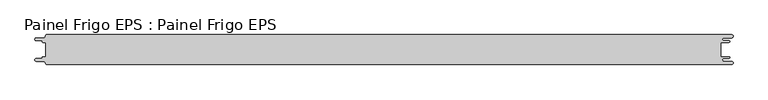
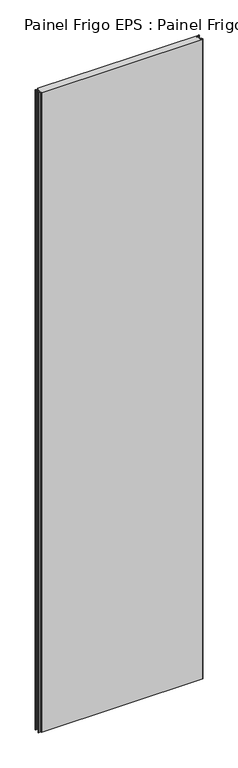
"""IFC4 building model written with IfcOpenShell, lengths in millimetres: proxy geometry, Painel Frigo EPS : Painel Frigo EPS."""

import ifcopenshell
import ifcopenshell.guid

model = None  # the IFC model being written
_history = None  # IfcOwnerHistory: only IFC2X3 demands one
_inside = {}  # id of a spatial element -> (the spatial element, [elements in it])
_under = {}  # id of a project, library or spatial element -> (it, [spatial elements below it])
_declared = {}  # id of a project -> (the project, [libraries it declares])
_typed = {}  # id of a type object -> (the type object, [elements of that type])
_made_of = {}  # id of a material, layer set ... -> (it, [elements and type objects made of it])


def new_model(schema):
    """Start an empty IFC model of exactly this schema.

    Asked for "IFC4X3", IfcOpenShell would pick the latest addendum, in which some entities
    have other attributes; the version numbers below select the first issue.
    IFC2X3 requires an IfcOwnerHistory on every rooted entity: one is made here for all.
    """
    global model, _history
    if schema == "IFC4X3":
        model = ifcopenshell.file(schema_version=(4, 3, 0, 0))
    else:
        model = ifcopenshell.file(schema=schema)
    _inside.clear()
    _under.clear()
    _declared.clear()
    _typed.clear()
    _made_of.clear()
    _history = None
    if model.schema == "IFC2X3":
        org = make("IfcOrganization", Name="unknown")
        user = make(
            "IfcPersonAndOrganization",
            ThePerson=make("IfcPerson", FamilyName="unknown"),
            TheOrganization=org,
        )
        app = make(
            "IfcApplication",
            ApplicationDeveloper=org,
            Version="unknown",
            ApplicationFullName="unknown",
            ApplicationIdentifier="unknown",
        )
        _history = make(
            "IfcOwnerHistory",
            OwningUser=user,
            OwningApplication=app,
            ChangeAction="ADDED",
            CreationDate=0,
        )
    return model


def make(cls, **values):
    """One entity of the class cls with the attributes given. An attribute that is None is left unset."""
    return model.create_entity(
        cls, **{name: value for name, value in values.items() if value is not None}
    )


def rooted(cls, **values):
    """An entity with a GlobalId (a new one), such as an element, a storey or a relation."""
    return make(cls, GlobalId=ifcopenshell.guid.new(), OwnerHistory=_history, **values)


def si_unit(unit_type, name, prefix=None):
    """IfcSIUnit, for example si_unit("LENGTHUNIT", "METRE", prefix="MILLI")."""
    return make("IfcSIUnit", UnitType=unit_type, Prefix=prefix, Name=name)


def assignment(units):
    """IfcUnitAssignment: the units of a project."""
    return None if units is None else make("IfcUnitAssignment", Units=units)


def point(xyz):
    """IfcCartesianPoint."""
    return None if xyz is None else make("IfcCartesianPoint", Coordinates=xyz)


def direction(xyz):
    """IfcDirection."""
    return None if xyz is None else make("IfcDirection", DirectionRatios=xyz)


def frame(location, z_axis=None, x_axis=None):
    """IfcAxis2Placement3D, a coordinate frame: its origin and axes. An axis left out is left unset."""
    return make(
        "IfcAxis2Placement3D",
        Location=point(location),
        Axis=direction(z_axis),
        RefDirection=direction(x_axis),
    )


def origin():
    """The frame at (0, 0, 0) with its axes left unset."""
    return frame((0.0, 0.0, 0.0))


def place(relative_to, where):
    """IfcLocalPlacement: puts the frame where relative to a parent placement (None: the world)."""
    return make(
        "IfcLocalPlacement", PlacementRelTo=relative_to, RelativePlacement=where
    )


def context(
    kind, dimensions, precision=None, world=None, true_north=None, identifier=None
):
    """IfcGeometricRepresentationContext, for example the 3D "Model" context."""
    return make(
        "IfcGeometricRepresentationContext",
        ContextIdentifier=identifier,
        ContextType=kind,
        CoordinateSpaceDimension=dimensions,
        Precision=precision,
        WorldCoordinateSystem=world,
        TrueNorth=true_north,
    )


def project(units=None, contexts=None):
    """IfcProject with its units and contexts."""
    return rooted(
        "IfcProject",
        Name="project",
        RepresentationContexts=contexts,
        UnitsInContext=assignment(units),
    )


def spatial(cls, under=None, at=None, **own):
    """A site, building, storey or space (cls), placed at a placement, below another one or the project."""
    s = rooted(cls, ObjectPlacement=at, **own)
    if under is not None:
        _under.setdefault(under.id(), (under, []))[1].append(s)
    return s


def polyline(points):
    """IfcPolyline through the points."""
    return make("IfcPolyline", Points=[point(p) for p in points])


def circle_curve(where, radius):
    """IfcCircle in the frame where."""
    return make("IfcCircle", Position=where, Radius=radius)


def shape(context_of_items, identifier, shape_type, items):
    """IfcShapeRepresentation: the items that make up one representation, for example the "Body"."""
    return make(
        "IfcShapeRepresentation",
        ContextOfItems=context_of_items,
        RepresentationIdentifier=identifier,
        RepresentationType=shape_type,
        Items=items,
    )


def source(mapping_origin, context_of_items, identifier, shape_type, items):
    """IfcRepresentationMap: a shape defined once, which mapped items show again and again."""
    return make(
        "IfcRepresentationMap",
        MappingOrigin=mapping_origin,
        MappedRepresentation=shape(context_of_items, identifier, shape_type, items),
    )


def transform(
    local_origin,
    x_axis=None,
    y_axis=None,
    z_axis=None,
    scale=None,
    scale2=None,
    scale3=None,
    uniform=True,
):
    """IfcCartesianTransformationOperator3D, or its non-uniform kind. x_axis, y_axis, z_axis: its Axis1, 2, 3."""
    if uniform:
        return make(
            "IfcCartesianTransformationOperator3D",
            Axis1=direction(x_axis),
            Axis2=direction(y_axis),
            LocalOrigin=point(local_origin),
            Scale=scale,
            Axis3=direction(z_axis),
        )
    return make(
        "IfcCartesianTransformationOperator3DnonUniform",
        Axis1=direction(x_axis),
        Axis2=direction(y_axis),
        LocalOrigin=point(local_origin),
        Scale=scale,
        Axis3=direction(z_axis),
        Scale2=scale2,
        Scale3=scale3,
    )


def mapped(mapping_source, mapping_target):
    """IfcMappedItem: shows the shape of a source again, moved by a transform."""
    return make(
        "IfcMappedItem", MappingSource=mapping_source, MappingTarget=mapping_target
    )


def made_of(thing, what):
    """Note that an element or type object is made of a material, layer set ...; save() writes the relation."""
    if what is not None:
        _made_of.setdefault(what.id(), (what, []))[1].append(thing)
    return thing


def element(
    cls,
    number,
    at=None,
    inside=None,
    cuts=None,
    type_object=None,
    material=None,
    context=None,
    identifier="Body",
    shape_type=None,
    held_by="IfcProductDefinitionShape",
    body=None,
    shapes=None,
    **own,
):
    """One element of the class cls, such as IfcWall. Its Tag is "e" and its number.

    at: its placement. inside: the storey or other place that contains it. cuts: it is an
    opening in that element (IfcRelVoidsElement). A single representation is given by context,
    identifier, shape_type and body (its items); several are given by shapes. held_by: the class
    of the entity that holds the representations. save() writes the other relations.
    """
    e = rooted(cls, Tag="e%d" % number, ObjectPlacement=at, **own)
    if body is not None:
        shapes = [shape(context, identifier, shape_type, body)]
    if shapes is not None:
        e.Representation = make(held_by, Representations=shapes)
    if inside is not None:
        _inside.setdefault(inside.id(), (inside, []))[1].append(e)
    if cuts is not None:
        rooted(
            "IfcRelVoidsElement", RelatingBuildingElement=cuts, RelatedOpeningElement=e
        )
    if type_object is not None:
        _typed.setdefault(type_object.id(), (type_object, []))[1].append(e)
    return made_of(e, material)


def aggregate(whole, parts):
    """IfcRelAggregates: a whole, such as a stair, and the parts it consists of."""
    return rooted("IfcRelAggregates", RelatingObject=whole, RelatedObjects=parts)


def save(model, path):
    """Write the relations noted so far, then the file.

    IfcRelAggregates (storeys below a building ...), IfcRelContainedInSpatialStructure (elements
    in a storey), IfcRelDefinesByType, IfcRelAssociatesMaterial and IfcRelDeclares: one each for
    every whole, place, type object, material and project.
    """
    for whole, parts in _under.values():
        aggregate(whole, parts)
    for where, things in _inside.values():
        rooted(
            "IfcRelContainedInSpatialStructure",
            RelatedElements=things,
            RelatingStructure=where,
        )
    for kind, things in _typed.values():
        rooted("IfcRelDefinesByType", RelatedObjects=things, RelatingType=kind)
    for what, things in _made_of.values():
        rooted("IfcRelAssociatesMaterial", RelatedObjects=things, RelatingMaterial=what)
    for by, libraries in _declared.values():
        rooted("IfcRelDeclares", RelatingContext=by, RelatedDefinitions=libraries)
    model.write(path)


def plane_surface(at):
    """IfcPlane: the flat surface through the origin of the frame at, square to its z axis."""
    return make("IfcPlane", Position=at)


def cylinder_surface(at, radius):
    """IfcCylindricalSurface: all points at the distance radius from the z axis of the frame at."""
    return make("IfcCylindricalSurface", Position=at, Radius=radius)


def revolved_surface(curve, axis_point, axis_direction):
    """IfcSurfaceOfRevolution: the curve turned about the line through axis_point along axis_direction."""
    return make(
        "IfcSurfaceOfRevolution",
        SweptCurve=make("IfcArbitraryOpenProfileDef", ProfileType="CURVE", Curve=curve),
        AxisPosition=make("IfcAxis1Placement", Location=point(axis_point), Axis=direction(axis_direction)),
    )


def advanced_brep(points, edges, surfaces, faces):
    """IfcAdvancedBrep: a solid bounded by faces that lie on surfaces and meet in shared edges.

    An edge is (start, end): straight between two places in points (the first is 0);
    or (start, end, curve); or (start, end, curve, False) where it runs against its curve.
    A face is (place in surfaces, loops), or (place, loops, False) where it looks against
    its surface's normal. A loop lists edges by number (the first is 1), with a minus sign
    where the edge is run from its end to its start. The first loop is the outer one.
    """
    corners = [point(p) for p in points]
    vertices = [make("IfcVertexPoint", VertexGeometry=c) for c in corners]
    made = []
    for start, end, *more in edges:
        made.append(
            make(
                "IfcEdgeCurve",
                EdgeStart=vertices[start],
                EdgeEnd=vertices[end],
                EdgeGeometry=more[0] if more else make("IfcPolyline", Points=[corners[start], corners[end]]),
                SameSense=more[1] if len(more) > 1 else True,
            )
        )
    hull = []
    for where, loops, *sense in faces:
        bounds = []
        for j, loop in enumerate(loops):
            ring = [make("IfcOrientedEdge", EdgeElement=made[abs(k) - 1], Orientation=k > 0) for k in loop]
            bounds.append(
                make(
                    "IfcFaceOuterBound" if j == 0 else "IfcFaceBound",
                    Bound=make("IfcEdgeLoop", EdgeList=ring),
                    Orientation=True,
                )
            )
        hull.append(make("IfcAdvancedFace", Bounds=bounds, FaceSurface=surfaces[where], SameSense=sense[0] if sense else True))
    return make("IfcAdvancedBrep", Outer=make("IfcClosedShell", CfsFaces=hull))


def painel_frigo_eps_painel_frigo_eps_5ee08f0e(model_context):
    return source(origin(), model_context, "Body", "AdvancedBrep", [
        advanced_brep(
        [(-579.5093748, -12.3, 4800.0), (-580.1093748, -12.9, 4800.0), (-580.1093748, -13.7085184, 4800.0), (-581.5093751, -15.1085187, 4800.0), (-590.4875, -15.1085187, 4800.0), (-590.4875, -19.5085185, 4800.0), (-578.471875, -19.5085185, 4800.0), (-574.921875, -23.0585185, 4800.0), (-572.971875, -25.0, 4800.0), (572.284375, -25.0, 4800.0), (572.284375, -19.725, 4800.0), (559.378125, -19.725, 4800.0), (559.378125, -14.875, 4800.0), (568.0406253, -14.875, 4800.0), (568.0406253, -12.3, 4800.0), (554.1906253, -12.3, 4800.0), (554.1906253, 12.3, 4800.0), (568.0406253, 12.3, 4800.0), (568.0406253, 14.875, 4800.0), (559.378125, 14.875, 4800.0), (559.378125, 19.725, 4800.0), (572.284375, 19.725, 4800.0), (572.284375, 25.0, 4800.0), (-572.971875, 25.0, 4800.0), (-574.921875, 23.05, 4800.0), (-578.471875, 19.5085185, 4800.0), (-590.4875, 19.5085185, 4800.0), (-590.4875, 15.1085185, 4800.0), (-581.5093753, 15.1085185, 4800.0), (-580.1093753, 13.7085185, 4800.0), (-580.1093753, 12.9, 4800.0), (-579.5093748, 12.2999995, 4800.0), (-574.2218362, 12.2999995, 4800.0), (-574.2218362, -12.3, 4800.0), (-579.5093748, -12.3, 0.0), (-574.2218362, -12.3, 0.0), (-574.2218362, 12.2999995, 0.0), (-579.5093748, 12.2999995, 0.0), (-580.1093753, 12.9, 0.0), (-580.1093753, 13.7085185, 0.0), (-581.5093753, 15.1085185, 0.0), (-590.4875, 15.1085185, 0.0), (-590.4875, 19.5085185, 0.0), (-578.471875, 19.5085185, 0.0), (-574.921875, 23.0585185, 0.0), (-572.971875, 25.0, 0.0), (572.284375, 25.0, 0.0), (572.284375, 19.725, 0.0), (559.378125, 19.725, 0.0), (559.378125, 14.875, 0.0), (568.0406253, 14.875, 0.0), (568.0406253, 12.3, 0.0), (554.1906253, 12.3, 0.0), (554.1906253, -12.3, 0.0), (568.0406253, -12.3, 0.0), (568.0406253, -14.875, 0.0), (559.378125, -14.875, 0.0), (559.378125, -19.725, 0.0), (572.284375, -19.725, 0.0), (572.284375, -25.0, 0.0), (-572.971875, -25.0, 0.0), (-574.921875, -23.05, 0.0), (-578.471875, -19.5085185, 0.0), (-590.4875, -19.5085185, 0.0), (-590.4875, -15.1085187, 0.0), (-581.5093751, -15.1085187, 0.0), (-580.1093748, -13.7085184, 0.0), (-580.1093748, -12.9, 0.0)],
        [
            (0, 1, circle_curve(frame((-579.5093748, -12.9, 4800.0), z_axis=(0.0, 0.0, 1.0), x_axis=(1.0, 0.0, 0.0)), 0.6)),
            (1, 2),
            (2, 3, circle_curve(frame((-581.5093751, -13.7085184, 4800.0), z_axis=(0.0, 0.0, -1.0), x_axis=(1.0, 0.0, 0.0)), 1.4000003)),
            (3, 4),
            (4, 5, circle_curve(frame((-590.4875, -17.3085186, 4800.0), z_axis=(0.0, 0.0, 1.0), x_axis=(1.0, 0.0, 0.0)), 2.1999999)),
            (5, 6),
            (6, 7, circle_curve(frame((-578.471875, -23.0585185, 4800.0), z_axis=(0.0, 0.0, -1.0), x_axis=(1.0, 0.0, 0.0)), 3.55)),
            (7, 8, circle_curve(frame((-572.971875, -23.05, 4800.0), z_axis=(0.0, 0.0, 1.0), x_axis=(1.0, 0.0, 0.0)), 1.95)),
            (8, 9),
            (9, 10, circle_curve(frame((572.284375, -22.3625, 4800.0), z_axis=(0.0, 0.0, 1.0), x_axis=(1.0, 0.0, 0.0)), 2.6375)),
            (10, 11),
            (11, 12, circle_curve(frame((559.378125, -17.3, 4800.0), z_axis=(0.0, 0.0, -1.0), x_axis=(1.0, 0.0, 0.0)), 2.425)),
            (12, 13),
            (13, 14, circle_curve(frame((568.0406253, -13.5875, 4800.0), z_axis=(0.0, 0.0, 1.0), x_axis=(1.0, 0.0, 0.0)), 1.2875)),
            (14, 15),
            (15, 16),
            (16, 17),
            (17, 18, circle_curve(frame((568.0406253, 13.5875, 4800.0), z_axis=(0.0, 0.0, 1.0), x_axis=(1.0, 0.0, 0.0)), 1.2875)),
            (18, 19),
            (19, 20, circle_curve(frame((559.378125, 17.3, 4800.0), z_axis=(0.0, 0.0, -1.0), x_axis=(1.0, 0.0, 0.0)), 2.425)),
            (20, 21),
            (21, 22, circle_curve(frame((572.284375, 22.3625, 4800.0), z_axis=(0.0, 0.0, 1.0), x_axis=(1.0, 0.0, 0.0)), 2.6375)),
            (22, 23),
            (23, 24, circle_curve(frame((-572.971875, 23.05, 4800.0), z_axis=(0.0, 0.0, 1.0), x_axis=(1.0, 0.0, 0.0)), 1.95)),
            (24, 25, circle_curve(frame((-578.471875, 23.0585185, 4800.0), z_axis=(0.0, 0.0, -1.0), x_axis=(1.0, 0.0, 0.0)), 3.55)),
            (25, 26),
            (26, 27, circle_curve(frame((-590.4875, 17.3085185, 4800.0), z_axis=(0.0, 0.0, 1.0), x_axis=(1.0, 0.0, 0.0)), 2.2)),
            (27, 28),
            (28, 29, circle_curve(frame((-581.5093753, 13.7085185, 4800.0), z_axis=(0.0, 0.0, -1.0), x_axis=(1.0, 0.0, 0.0)), 1.4)),
            (29, 30),
            (30, 31, circle_curve(frame((-579.5093748, 12.9, 4800.0), z_axis=(0.0, 0.0, 1.0), x_axis=(1.0, 0.0, 0.0)), 0.6000005)),
            (31, 32),
            (32, 33),
            (33, 0),
            (34, 35),
            (35, 36),
            (36, 37),
            (37, 38, circle_curve(frame((-579.5093748, 12.9, 0.0), z_axis=(0.0, 0.0, -1.0), x_axis=(1.0, 0.0, 0.0)), 0.6000005)),
            (38, 39),
            (39, 40, circle_curve(frame((-581.5093753, 13.7085185, 0.0), z_axis=(0.0, 0.0, 1.0), x_axis=(1.0, 0.0, 0.0)), 1.4)),
            (40, 41),
            (41, 42, circle_curve(frame((-590.4875, 17.3085185, 0.0), z_axis=(0.0, 0.0, -1.0), x_axis=(1.0, 0.0, 0.0)), 2.2)),
            (42, 43),
            (43, 44, circle_curve(frame((-578.471875, 23.0585185, 0.0), z_axis=(0.0, 0.0, 1.0), x_axis=(1.0, 0.0, 0.0)), 3.55)),
            (44, 45, circle_curve(frame((-572.971875, 23.05, 0.0), z_axis=(0.0, 0.0, -1.0), x_axis=(1.0, 0.0, 0.0)), 1.95)),
            (45, 46),
            (46, 47, circle_curve(frame((572.284375, 22.3625, 0.0), z_axis=(0.0, 0.0, -1.0), x_axis=(1.0, 0.0, 0.0)), 2.6375)),
            (47, 48),
            (48, 49, circle_curve(frame((559.378125, 17.3, 0.0), z_axis=(0.0, 0.0, 1.0), x_axis=(1.0, 0.0, 0.0)), 2.425)),
            (49, 50),
            (50, 51, circle_curve(frame((568.0406253, 13.5875, 0.0), z_axis=(0.0, 0.0, -1.0), x_axis=(1.0, 0.0, 0.0)), 1.2875)),
            (51, 52),
            (52, 53),
            (53, 54),
            (54, 55, circle_curve(frame((568.0406253, -13.5875, 0.0), z_axis=(0.0, 0.0, -1.0), x_axis=(1.0, 0.0, 0.0)), 1.2875)),
            (55, 56),
            (56, 57, circle_curve(frame((559.378125, -17.3, 0.0), z_axis=(0.0, 0.0, 1.0), x_axis=(1.0, 0.0, 0.0)), 2.425)),
            (57, 58),
            (58, 59, circle_curve(frame((572.284375, -22.3625, 0.0), z_axis=(0.0, 0.0, -1.0), x_axis=(1.0, 0.0, 0.0)), 2.6375)),
            (59, 60),
            (60, 61, circle_curve(frame((-572.971875, -23.05, 0.0), z_axis=(0.0, 0.0, -1.0), x_axis=(1.0, 0.0, 0.0)), 1.95)),
            (61, 62, circle_curve(frame((-578.471875, -23.0585185, 0.0), z_axis=(0.0, 0.0, 1.0), x_axis=(1.0, 0.0, 0.0)), 3.55)),
            (62, 63),
            (63, 64, circle_curve(frame((-590.4875, -17.3085186, 0.0), z_axis=(0.0, 0.0, -1.0), x_axis=(1.0, 0.0, 0.0)), 2.1999999)),
            (64, 65),
            (65, 66, circle_curve(frame((-581.5093751, -13.7085184, 0.0), z_axis=(0.0, 0.0, 1.0), x_axis=(1.0, 0.0, 0.0)), 1.4000003)),
            (66, 67),
            (67, 34, circle_curve(frame((-579.5093748, -12.9, 0.0), z_axis=(0.0, 0.0, -1.0), x_axis=(1.0, 0.0, 0.0)), 0.6)),
            (22, 46),
            (45, 23),
            (8, 60),
            (59, 9),
            (33, 35),
            (34, 0),
            (32, 36),
            (31, 37),
            (30, 38),
            (29, 39),
            (28, 40),
            (27, 41),
            (26, 42),
            (25, 43),
            (24, 44),
            (15, 53),
            (52, 16),
            (14, 54),
            (13, 55),
            (12, 56),
            (11, 57),
            (10, 58),
            (7, 61),
            (6, 62),
            (5, 63),
            (4, 64),
            (3, 65),
            (2, 66),
            (1, 67),
            (21, 47),
            (20, 48),
            (19, 49),
            (18, 50),
            (17, 51),
        ],
        [
            plane_surface(frame((-574.2218362, -12.3, 4800.0), z_axis=(0.0, 0.0, 1.0), x_axis=(1.0, 0.0, 0.0))),
            plane_surface(frame((-574.2218362, -12.3, 0.0), z_axis=(0.0, 0.0, -1.0), x_axis=(-1.0, 0.0, 0.0))),
            plane_surface(frame((-572.971875, 25.0, 4800.0), z_axis=(0.0, 1.0, 0.0), x_axis=(0.0, 0.0, -1.0))),
            plane_surface(frame((572.284375, -25.0, 4800.0), z_axis=(0.0, -1.0, 0.0), x_axis=(0.0, 0.0, -1.0))),
            plane_surface(frame((-579.5093748, -12.3, 4800.0), z_axis=(0.0, 1.0, 0.0), x_axis=(0.0, 0.0, -1.0))),
            plane_surface(frame((-574.2218362, -12.3, 4800.0), z_axis=(-1.0, 0.0, 0.0), x_axis=(0.0, 0.0, -1.0))),
            plane_surface(frame((-574.2218362, 12.2999995, 4800.0), z_axis=(0.0, -1.0, 0.0), x_axis=(0.0, 0.0, -1.0))),
            cylinder_surface(frame((-579.5093748, 12.9, 0.0), z_axis=(0.0, 0.0, 1.0), x_axis=(1.0, 0.0, 0.0)), 0.6000005),
            plane_surface(frame((-580.1093753, 12.9, 4800.0), z_axis=(-1.0, -1.757860866232943e-12, 0.0), x_axis=(0.0, 0.0, -1.0))),
            revolved_surface(polyline([(-580.1093753, 13.7085185, 0.0), (-580.1093753, 13.7085185, 4800.0)]), (-581.5093753, 13.7085185, 0.0), (0.0, 0.0, -1.0)),
            plane_surface(frame((-581.5093753, 15.1085185, 4800.0), z_axis=(0.0, -1.0, 0.0), x_axis=(0.0, 0.0, -1.0))),
            cylinder_surface(frame((-590.4875, 17.3085185, 0.0), z_axis=(0.0, 0.0, 1.0), x_axis=(1.0, 0.0, 0.0)), 2.2),
            plane_surface(frame((-590.4875, 19.5085185, 4800.0), z_axis=(0.0, 1.0, 0.0), x_axis=(0.0, 0.0, -1.0))),
            revolved_surface(polyline([(-574.921875, 23.0585185, 0.0), (-574.921875, 23.0585185, 4800.0)]), (-578.471875, 23.0585185, 0.0), (0.0, 0.0, -1.0)),
            cylinder_surface(frame((-572.971875, 23.05, 0.0), z_axis=(0.0, 0.0, 1.0), x_axis=(1.0, 0.0, 0.0)), 1.95),
            plane_surface(frame((554.1906253, 12.3, 4800.0), z_axis=(1.0, 0.0, 0.0), x_axis=(0.0, 0.0, -1.0))),
            plane_surface(frame((554.1906253, -12.3, 4800.0), z_axis=(0.0, 1.0, 0.0), x_axis=(0.0, 0.0, -1.0))),
            cylinder_surface(frame((568.0406253, -13.5875, 0.0), z_axis=(0.0, 0.0, 1.0), x_axis=(1.0, 0.0, 0.0)), 1.2875),
            plane_surface(frame((568.0406253, -14.875, 4800.0), z_axis=(0.0, -1.0, 0.0), x_axis=(0.0, 0.0, -1.0))),
            revolved_surface(polyline([(561.8031249999999, -17.3, 0.0), (561.8031249999999, -17.3, 4800.0)]), (559.378125, -17.3, 0.0), (0.0, 0.0, -1.0)),
            plane_surface(frame((559.378125, -19.725, 4800.0), z_axis=(0.0, 1.0, 0.0), x_axis=(0.0, 0.0, -1.0))),
            cylinder_surface(frame((572.284375, -22.3625, 0.0), z_axis=(0.0, 0.0, 1.0), x_axis=(1.0, 0.0, 0.0)), 2.6375),
            cylinder_surface(frame((-572.971875, -23.05, 0.0), z_axis=(0.0, 0.0, 1.0), x_axis=(1.0, 0.0, 0.0)), 1.95),
            revolved_surface(polyline([(-574.921875, -23.0585185, 0.0), (-574.921875, -23.0585185, 4800.0)]), (-578.471875, -23.0585185, 0.0), (0.0, 0.0, -1.0)),
            plane_surface(frame((-578.471875, -19.5085185, 4800.0), z_axis=(0.0, -1.0, 0.0), x_axis=(0.0, 0.0, -1.0))),
            cylinder_surface(frame((-590.4875, -17.3085186, 0.0), z_axis=(0.0, 0.0, 1.0), x_axis=(1.0, 0.0, 0.0)), 2.1999999),
            plane_surface(frame((-590.4875, -15.1085187, 4800.0), z_axis=(0.0, 1.0, 0.0), x_axis=(0.0, 0.0, -1.0))),
            revolved_surface(polyline([(-580.1093748000001, -13.7085184, 0.0), (-580.1093748000001, -13.7085184, 4800.0)]), (-581.5093751, -13.7085184, 0.0), (0.0, 0.0, -1.0)),
            plane_surface(frame((-580.1093748, -13.7085184, 4800.0), z_axis=(-1.0, 0.0, 0.0), x_axis=(0.0, 0.0, -1.0))),
            cylinder_surface(frame((-579.5093748, -12.9, 0.0), z_axis=(0.0, 0.0, 1.0), x_axis=(1.0, 0.0, 0.0)), 0.6),
            cylinder_surface(frame((572.284375, 22.3625, 0.0), z_axis=(0.0, 0.0, 1.0), x_axis=(1.0, 0.0, 0.0)), 2.6375),
            plane_surface(frame((572.284375, 19.725, 4800.0), z_axis=(0.0, -1.0, 0.0), x_axis=(0.0, 0.0, -1.0))),
            revolved_surface(polyline([(561.8031249999999, 17.3, 0.0), (561.8031249999999, 17.3, 4800.0)]), (559.378125, 17.3, 0.0), (0.0, 0.0, -1.0)),
            plane_surface(frame((559.378125, 14.875, 4800.0), z_axis=(0.0, 1.0, 0.0), x_axis=(0.0, 0.0, -1.0))),
            cylinder_surface(frame((568.0406253, 13.5875, 0.0), z_axis=(0.0, 0.0, 1.0), x_axis=(1.0, 0.0, 0.0)), 1.2875),
            plane_surface(frame((568.0406253, 12.3, 4800.0), z_axis=(0.0, -1.0, 0.0), x_axis=(0.0, 0.0, -1.0))),
        ],
        [
            (0, [[1, 2, 3, 4, 5, 6, 7, 8, 9, 10, 11, 12, 13, 14, 15, 16, 17, 18, 19, 20, 21, 22, 23, 24, 25, 26, 27, 28, 29, 30, 31, 32, 33, 34]]),
            (1, [[35, 36, 37, 38, 39, 40, 41, 42, 43, 44, 45, 46, 47, 48, 49, 50, 51, 52, 53, 54, 55, 56, 57, 58, 59, 60, 61, 62, 63, 64, 65, 66, 67, 68]]),
            (2, [[69, -46, 70, -23]]),
            (3, [[71, -60, 72, -9]]),
            (4, [[73, -35, 74, -34]]),
            (5, [[75, -36, -73, -33]]),
            (6, [[76, -37, -75, -32]]),
            (7, [[77, -38, -76, -31]]),
            (8, [[78, -39, -77, -30]]),
            (9, [[79, -40, -78, -29]]),
            (10, [[80, -41, -79, -28]]),
            (11, [[81, -42, -80, -27]]),
            (12, [[82, -43, -81, -26]]),
            (13, [[83, -44, -82, -25]]),
            (14, [[-70, -45, -83, -24]]),
            (15, [[84, -53, 85, -16]]),
            (16, [[86, -54, -84, -15]]),
            (17, [[87, -55, -86, -14]]),
            (18, [[88, -56, -87, -13]]),
            (19, [[89, -57, -88, -12]]),
            (20, [[90, -58, -89, -11]]),
            (21, [[-72, -59, -90, -10]]),
            (22, [[91, -61, -71, -8]]),
            (23, [[92, -62, -91, -7]]),
            (24, [[93, -63, -92, -6]]),
            (25, [[94, -64, -93, -5]]),
            (26, [[95, -65, -94, -4]]),
            (27, [[96, -66, -95, -3]]),
            (28, [[97, -67, -96, -2]]),
            (29, [[-74, -68, -97, -1]]),
            (30, [[98, -47, -69, -22]]),
            (31, [[99, -48, -98, -21]]),
            (32, [[100, -49, -99, -20]]),
            (33, [[101, -50, -100, -19]]),
            (34, [[102, -51, -101, -18]]),
            (35, [[-85, -52, -102, -17]]),
        ],
    ),
    ])


if __name__ == "__main__":
    model = new_model("IFC4")
    model_context = context("Model", 3, world=origin())
    ifc_project = project(units=[si_unit("LENGTHUNIT", "METRE", prefix="MILLI")], contexts=[model_context])
    site = spatial("IfcSite", under=ifc_project)
    building = spatial("IfcBuilding", under=site)
    placement = place(None, origin())
    painel_frigo_eps_painel_frigo_eps_shape = painel_frigo_eps_painel_frigo_eps_5ee08f0e(model_context)
    element("IfcBuildingElementProxy", 1, Name="Painel Frigo EPS : Painel Frigo EPS", ObjectType="Painel Frigo EPS : Painel Frigo EPS", at=placement, inside=building, context=model_context, shape_type="MappedRepresentation", body=[
        mapped(painel_frigo_eps_painel_frigo_eps_shape, transform((0.0, 0.0, 0.0), x_axis=(1.0, 0.0, 0.0), y_axis=(0.0, 1.0, 0.0), z_axis=(0.0, 0.0, 1.0))),
    ])
    save(model, "model.ifc")
